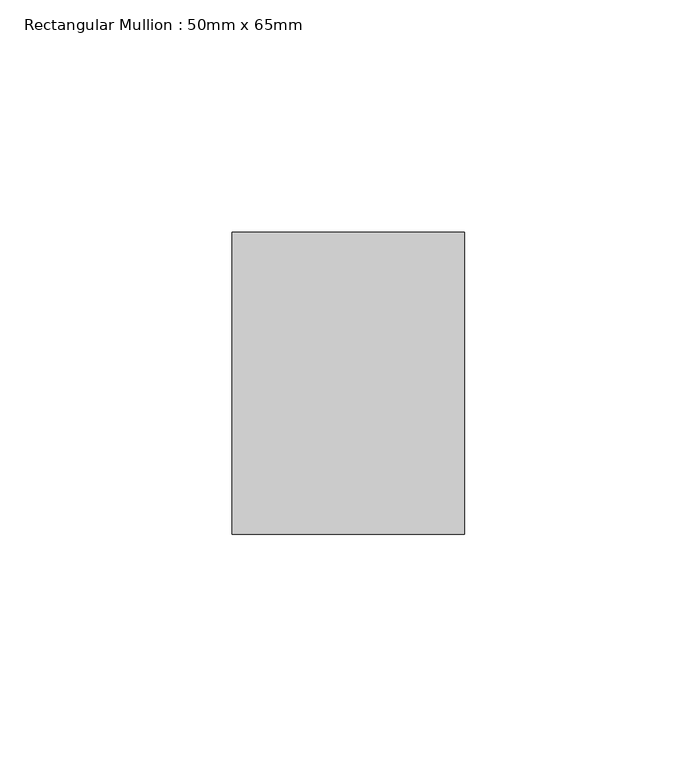
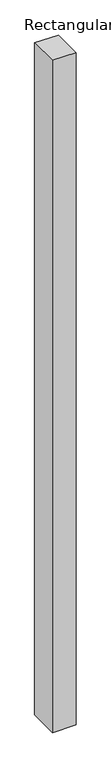
"""IFC4 building model written with IfcOpenShell, lengths in millimetres: member geometry, Rectangular Mullion : 50mm x 65mm."""

from ifc_helpers import new_model, si_unit, origin, place, context, project, spatial, faceted_brep, source, transform, mapped, element, save


def rectangular_mullion_50mm_x_65mm_9d4fe2b0(model_context):
    return source(origin(), model_context, "Body", "Brep", [
        faceted_brep([(-25.0, 32.5, -0.2664486), (25.0, 32.5, -0.2664466), (25.0, 32.5, -1499.646344), (-25.0, 32.5, -1499.6463414), (-25.0, -32.5, 0.2664466), (-25.0, -32.5, -1500.3536818), (25.0, -32.5, 0.2664486), (25.0, -32.5, -1500.3536844)], [[[0, 1, 2, 3]], [[4, 0, 3, 5]], [[6, 4, 5, 7]], [[1, 6, 7, 2]], [[1, 0, 4, 6]], [[2, 7, 5, 3]]]),
    ])


if __name__ == "__main__":
    model = new_model("IFC4")
    model_context = context("Model", 3, world=origin())
    ifc_project = project(units=[si_unit("LENGTHUNIT", "METRE", prefix="MILLI")], contexts=[model_context])
    site = spatial("IfcSite", under=ifc_project)
    building = spatial("IfcBuilding", under=site)
    placement = place(None, origin())
    rectangular_mullion_50mm_x_65mm_shape = rectangular_mullion_50mm_x_65mm_9d4fe2b0(model_context)
    element("IfcMember", 1, ObjectType="Rectangular Mullion : 50mm x 65mm", at=placement, inside=building, context=model_context, shape_type="MappedRepresentation", body=[
        mapped(rectangular_mullion_50mm_x_65mm_shape, transform((0.0, 0.0, 0.0), x_axis=(1.0, 0.0, 0.0), y_axis=(0.0, 1.0, 0.0), z_axis=(0.0, 0.0, 1.0))),
    ])
    save(model, "model.ifc")
